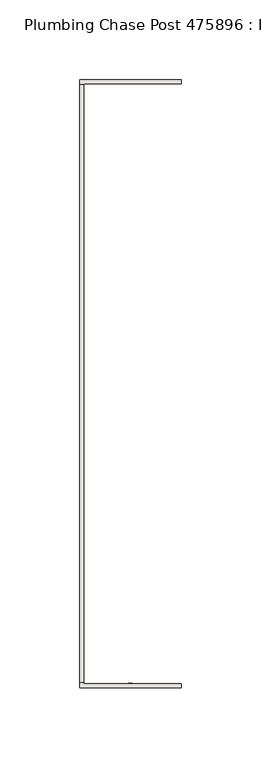
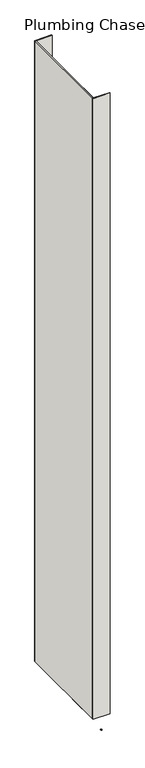
"""IFC4 building model written with IfcOpenShell, lengths in millimetres: wall geometry, Plumbing Chase Post 475896 : Plumbing Chase Post 475896."""

from ifc_helpers import new_model, si_unit, frame, origin, place, context, project, spatial, polyline, outline, extrude, source, transform, mapped, element, save


def plumbing_chase_post_475896_plumbing_chase_post_475896_68fd0a53(model_context):
    return source(origin(), model_context, "Body", "SweptSolid", [
        extrude(outline(polyline([(57408.482211, -54366.0347272), (57408.482211, -54368.5747272), (57405.942211, -54368.5747272), (57405.942211, -54366.0347272), (57408.482211, -54366.0347272)])), frame((0.0, 0.0, 4419.6), z_axis=(0.0, 0.0, 1.0), x_axis=(1.0, 0.0, 0.0)), (0.0, 0.0, 1.0), 2.54),
        extrude(outline(polyline([(57375.1955618, -54365.8784664), (57375.1955618, -53990.2672796), (57377.8620538, -53990.2672796), (57377.8620538, -54365.8784664), (57375.1955618, -54365.8784664)])), frame((0.0, 0.0, 4474.8958), z_axis=(0.0, 0.0, 1.0), x_axis=(1.0, 0.0, 0.0)), (0.0, 0.0, 1.0), 2481.1482254),
        extrude(outline(polyline([(57375.1955618, -54365.8784664), (57375.1955618, -53990.2672796), (57377.8620538, -53990.2672796), (57377.8620538, -54365.8784664), (57375.1955618, -54365.8784664)])), frame((0.0, 0.0, 4474.8958), z_axis=(0.0, 0.0, 1.0), x_axis=(1.0, 0.0, 0.0)), (0.0, 0.0, 1.0), 2481.1482254),
        extrude(outline(polyline([(57375.1955618, -54369.3325108), (57375.1955618, -54235.9825108), (57377.8620538, -54235.9825108), (57377.8620538, -54366.6660188), (57439.2040444, -54366.6660188), (57439.2040444, -54369.3325108), (57375.1955618, -54369.3325108)])), frame((0.0, 0.0, 4474.8958), z_axis=(0.0, 0.0, 1.0), x_axis=(1.0, 0.0, 0.0)), (0.0, 0.0, 1.0), 2481.1482254),
        extrude(outline(polyline([(57375.1955618, -54369.3325108), (57375.1955618, -54235.9825108), (57377.8620538, -54235.9825108), (57377.8620538, -54366.6660188), (57439.2040444, -54366.6660188), (57439.2040444, -54369.3325108), (57375.1955618, -54369.3325108)])), frame((0.0, 0.0, 4474.8958), z_axis=(0.0, 0.0, 1.0), x_axis=(1.0, 0.0, 0.0)), (0.0, 0.0, 1.0), 2481.1482254),
        extrude(outline(polyline([(57377.8620538, -54120.1880256), (57375.1955618, -54120.1880256), (57375.1955618, -53986.8380256), (57439.2040444, -53986.8380256), (57439.2040444, -53989.504543), (57377.8620538, -53989.4797272), (57377.8620538, -54120.1880256)])), frame((0.0, 0.0, 4474.8958), z_axis=(0.0, 0.0, 1.0), x_axis=(1.0, 0.0, 0.0)), (0.0, 0.0, 1.0), 2481.1482254),
        extrude(outline(polyline([(57377.8620538, -54120.1880256), (57375.1955618, -54120.1880256), (57375.1955618, -53986.8380256), (57439.2040444, -53986.8380256), (57439.2040444, -53989.504543), (57377.8620538, -53989.4797272), (57377.8620538, -54120.1880256)])), frame((0.0, 0.0, 4474.8958), z_axis=(0.0, 0.0, 1.0), x_axis=(1.0, 0.0, 0.0)), (0.0, 0.0, 1.0), 2481.1482254),
    ])


if __name__ == "__main__":
    model = new_model("IFC4")
    model_context = context("Model", 3, world=origin())
    ifc_project = project(units=[si_unit("LENGTHUNIT", "METRE", prefix="MILLI")], contexts=[model_context])
    site = spatial("IfcSite", under=ifc_project)
    building = spatial("IfcBuilding", under=site)
    placement = place(None, origin())
    plumbing_chase_post_475896_plumbing_chase_post_475896_shape = plumbing_chase_post_475896_plumbing_chase_post_475896_68fd0a53(model_context)
    element("IfcWall", 1, ObjectType="Plumbing Chase Post 475896 : Plumbing Chase Post 475896", at=placement, inside=building, context=model_context, shape_type="MappedRepresentation", body=[
        mapped(plumbing_chase_post_475896_plumbing_chase_post_475896_shape, transform((0.0, 0.0, 0.0), x_axis=(1.0, 0.0, 0.0), y_axis=(0.0, 1.0, 0.0), z_axis=(0.0, 0.0, 1.0))),
    ])
    save(model, "model.ifc")
